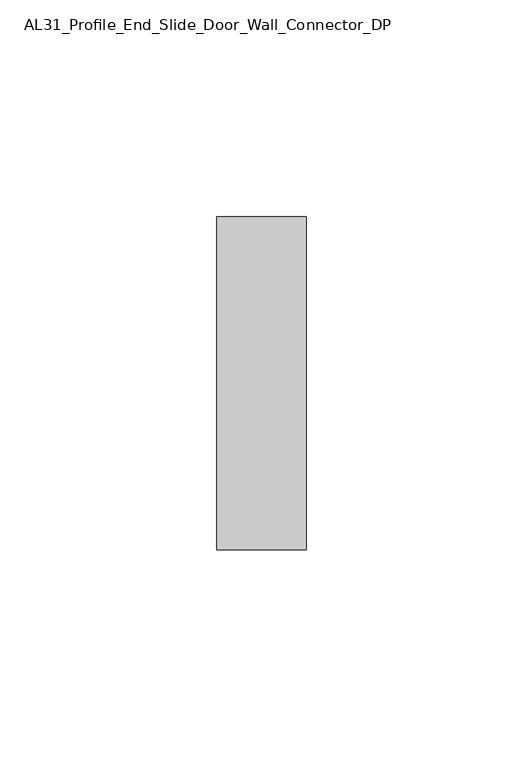
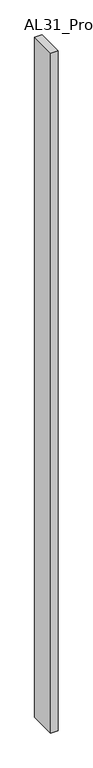
"""IFC4 building model written with IfcOpenShell, lengths in millimetres: member geometry, AL31_Profile_End_Slide_Door_Wall_Connector_DP."""

from ifc_helpers import new_model, si_unit, frame, origin, place, context, project, spatial, polyline, outline, extrude, source, transform, mapped, element, save


def al31_profile_end_slide_door_wall_connector_dp_ff612adc(model_context):
    return source(origin(), model_context, "Body", "SweptSolid", [
        extrude(outline(polyline([(0.0, -38.5), (-20.7405417, -38.5), (-20.7405417, 38.5), (0.0, 38.5), (0.0, -38.5)])), frame((0.0, 0.0, -2000.0), z_axis=(0.0, 0.0, 1.0), x_axis=(1.0, 0.0, 0.0)), (0.0, 0.0, 1.0), 2000.0),
    ])


if __name__ == "__main__":
    model = new_model("IFC4")
    model_context = context("Model", 3, world=origin())
    ifc_project = project(units=[si_unit("LENGTHUNIT", "METRE", prefix="MILLI")], contexts=[model_context])
    site = spatial("IfcSite", under=ifc_project)
    building = spatial("IfcBuilding", under=site)
    placement = place(None, origin())
    al31_profile_end_slide_door_wall_connector_dp_shape = al31_profile_end_slide_door_wall_connector_dp_ff612adc(model_context)
    element("IfcMember", 1, ObjectType="AL31_Profile_End_Slide_Door_Wall_Connector_DP", at=placement, inside=building, context=model_context, shape_type="MappedRepresentation", body=[
        mapped(al31_profile_end_slide_door_wall_connector_dp_shape, transform((0.0, 0.0, 0.0), x_axis=(1.0, 0.0, 0.0), y_axis=(0.0, 1.0, 0.0), z_axis=(0.0, 0.0, 1.0))),
    ])
    save(model, "model.ifc")
